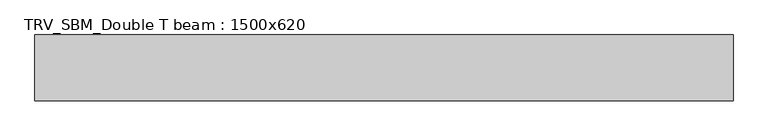
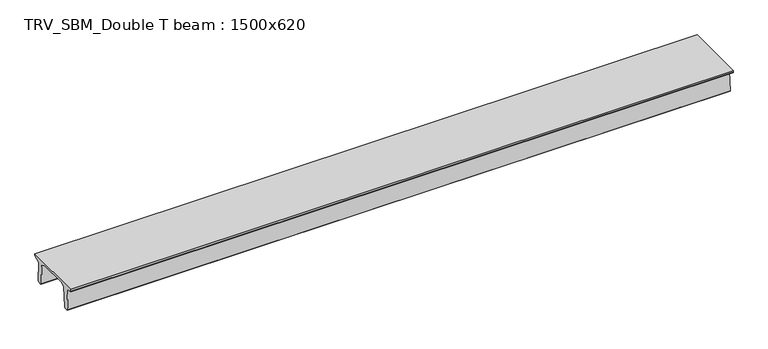
"""IFC4 building model written with IfcOpenShell, lengths in millimetres: beam geometry, TRV_SBM_Double T beam : 1500x620."""

from ifc_helpers import new_model, si_unit, frame, origin, place, context, project, spatial, polyline, outline, extrude, source, transform, mapped, element, save


def trv_sbm_double_t_beam_1500x620_deb2d524(model_context):
    return source(origin(), model_context, "Body", "SweptSolid", [
        extrude(outline(polyline([(-765.0, 215.0), (-765.0, 260.0), (735.0, 260.0), (735.0, 215.0), (728.2094488, 201.315559), (578.0626443, 140.6523122), (594.8277662, -339.4379646), (574.2657308, -360.0), (484.2657308, -360.0), (464.786332, -340.5206011), (447.8600761, 144.18395), (338.3237744, 210.0), (-367.4555014, 210.0), (-476.5389732, 151.9992892), (-507.0080378, -339.3850967), (-527.622941, -360.0), (-615.122941, -360.0), (-637.1143055, -338.0086356), (-606.1572167, 162.687806), (-761.3068466, 204.260024), (-765.0, 215.0)])), frame((-7969.5, 0.0, 0.0), z_axis=(1.0, 0.0, 0.0), x_axis=(0.0, 1.0, 0.0)), (0.0, 0.0, 1.0), 15939.0),
    ])


if __name__ == "__main__":
    model = new_model("IFC4")
    model_context = context("Model", 3, world=origin())
    ifc_project = project(units=[si_unit("LENGTHUNIT", "METRE", prefix="MILLI")], contexts=[model_context])
    site = spatial("IfcSite", under=ifc_project)
    building = spatial("IfcBuilding", under=site)
    placement = place(None, origin())
    trv_sbm_double_t_beam_1500x620_shape = trv_sbm_double_t_beam_1500x620_deb2d524(model_context)
    element("IfcBeam", 1, ObjectType="TRV_SBM_Double T beam : 1500x620", at=placement, inside=building, context=model_context, shape_type="MappedRepresentation", body=[
        mapped(trv_sbm_double_t_beam_1500x620_shape, transform((0.0, 0.0, 0.0), x_axis=(1.0, 0.0, 0.0), y_axis=(0.0, 1.0, 0.0), z_axis=(0.0, 0.0, 1.0))),
    ])
    save(model, "model.ifc")
